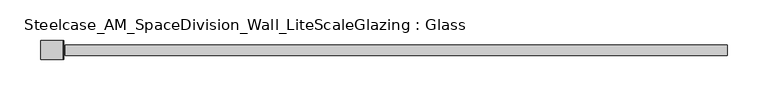
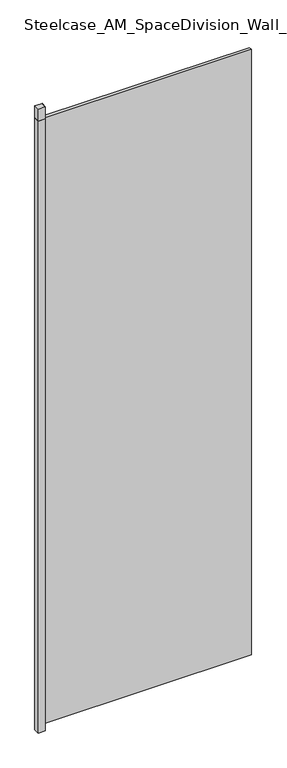
"""IFC4 building model written with IfcOpenShell, lengths in millimetres: plate geometry, Steelcase_AM_SpaceDivision_Wall_LiteScaleGlazing : Glass."""

from ifc_helpers import new_model, si_unit, frame, origin, origin_with_axes, place, context, project, spatial, polyline, outline, extrude, source, transform, mapped, element, save


def steelcase_am_spacedivision_wall_litescaleglazing_glass_3d806a4a(model_context):
    return source(origin(), model_context, "Body", "SweptSolid", [
        extrude(outline(polyline([(-408.7354378, 11.7474777), (-408.7354378, -11.7475002), (-435.7229045, -11.7475002), (-435.7229045, 11.7474777), (-408.7354378, 11.7474777)])), frame((0.0, 0.0, 2513.584), z_axis=(0.0, 0.0, 1.0), x_axis=(1.0, 0.0, 0.0)), (0.0, 0.0, 1.0), 49.276),
        extrude(outline(polyline([(-435.7229045, 11.7474777), (-408.7354378, 11.7474777), (-408.7354378, 6.3500051), (-431.2306796, 6.3500051), (-431.2306796, -6.3896792), (-408.7354378, -6.3896792), (-408.7354378, -11.7475002), (-435.7229045, -11.7475002), (-435.7229045, 11.7474777)])), frame((0.0, 0.0, -27.8638004), z_axis=(0.0, 0.0, 1.0), x_axis=(1.0, 0.0, 0.0)), (0.0, 0.0, 1.0), 2541.4478004),
        extrude(outline(polyline([(-408.7354378, 11.7474777), (-407.7067088, 11.7474777), (-407.7067088, -11.7474954), (-408.7354378, -11.7474954), (-408.7354378, 11.7474777)])), frame((0.0, 0.0, -27.8638004), z_axis=(0.0, 0.0, 1.0), x_axis=(1.0, 0.0, 0.0)), (0.0, 0.0, 1.0), 2590.7238004),
        extrude(outline(polyline([(-405.6747088, -6.349956), (-405.6747088, 6.3502015), (405.6747088, 6.3502015), (405.6747088, -6.349956), (-405.6747088, -6.349956)])), origin_with_axes(), (0.0, 0.0, 1.0), 2513.584),
    ])


if __name__ == "__main__":
    model = new_model("IFC4")
    model_context = context("Model", 3, world=origin())
    ifc_project = project(units=[si_unit("LENGTHUNIT", "METRE", prefix="MILLI")], contexts=[model_context])
    site = spatial("IfcSite", under=ifc_project)
    building = spatial("IfcBuilding", under=site)
    placement = place(None, origin())
    steelcase_am_spacedivision_wall_litescaleglazing_glass_shape = steelcase_am_spacedivision_wall_litescaleglazing_glass_3d806a4a(model_context)
    element("IfcPlate", 1, ObjectType="Steelcase_AM_SpaceDivision_Wall_LiteScaleGlazing : Glass", at=placement, inside=building, context=model_context, shape_type="MappedRepresentation", body=[
        mapped(steelcase_am_spacedivision_wall_litescaleglazing_glass_shape, transform((0.0, 0.0, 0.0), x_axis=(1.0, 0.0, 0.0), y_axis=(0.0, 1.0, 0.0), z_axis=(0.0, 0.0, 1.0))),
    ])
    save(model, "model.ifc")
